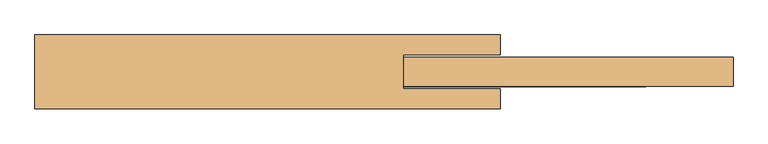
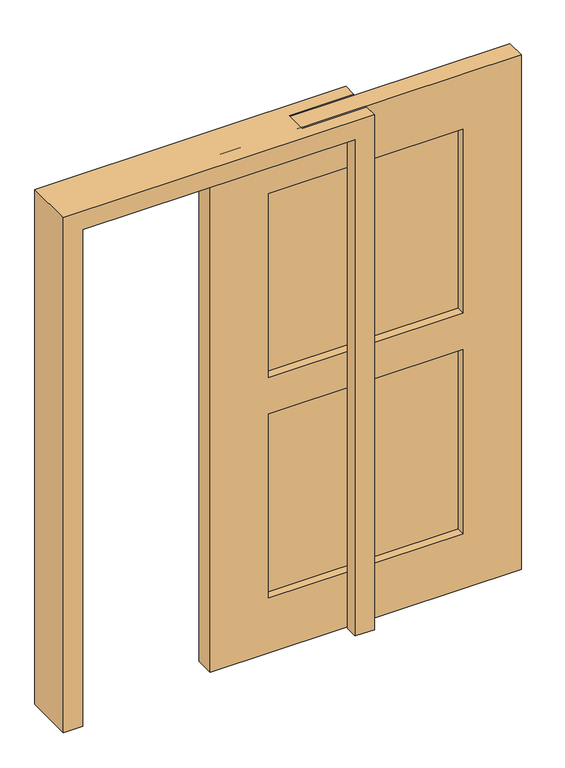
"""IFC4 building model written with IfcOpenShell, lengths in millimetres: door geometry."""

from ifc_helpers import new_model, si_unit, frame, origin, place, context, project, spatial, polyline, outline, extrude, faceted_brep, source, transform, mapped, element, save


def door_7173f663(model_context):
    return source(origin(), model_context, "Body", "SolidModel", [
        faceted_brep([(-533.4, 96.8375, 2057.4), (-533.4, 96.8375, 0.0), (-609.6, 96.8375, 0.0), (-609.6, 96.8375, 2133.6), (609.6, 96.8375, 2133.6), (609.6, 96.8375, 0.0), (533.4, 96.8375, 0.0), (533.4, 96.8375, 2057.4), (-533.4, -96.8375, 2057.4), (-533.4, -96.8375, 0.0), (-609.6, -96.8375, 0.0), (-609.6, -96.8375, 2133.6), (609.6, 44.45, 2133.6), (609.6, 44.45, 0.0), (609.6, -96.8375, 2133.6), (609.6, -96.8375, 0.0), (609.6, -44.45, 0.0), (609.6, -44.45, 2133.6), (533.4, 44.45, 0.0), (533.4, -96.8375, 0.0), (533.4, -44.45, 0.0), (533.4, 44.45, 2057.4), (533.4, -96.8375, 2057.4), (533.4, -44.45, 2057.4), (355.6, 44.45, 2133.6), (355.6, 44.45, 2057.4), (355.6, -44.45, 2057.4), (355.6, -44.45, 2133.6)], [[[0, 1, 2, 3, 4, 5, 6, 7]], [[1, 0, 8, 9]], [[2, 1, 9, 10]], [[3, 2, 10, 11]], [[5, 4, 12, 13]], [[14, 15, 16, 17]], [[6, 5, 13, 18]], [[15, 19, 20, 16]], [[7, 6, 18, 21]], [[19, 22, 23, 20]], [[8, 22, 19, 15, 14, 11, 10, 9]], [[24, 25, 21, 18, 13, 12]], [[26, 27, 17, 16, 20, 23]], [[4, 3, 11, 14, 17, 27, 24, 12]], [[0, 7, 21, 25, 26, 23, 22, 8]], [[25, 24, 27, 26]]]),
        extrude(outline(polyline([(990.6, -5.2498621), (228.6, -5.2498621), (228.6, 5.2498621), (990.6, 5.2498621), (990.6, -5.2498621)])), frame((0.0, 0.0, 1143.0), z_axis=(0.0, 0.0, 1.0), x_axis=(1.0, 0.0, 0.0)), (0.0, 0.0, 1.0), 762.0),
        extrude(outline(polyline([(990.6, -5.2498621), (228.6, -5.2498621), (228.6, 5.2498621), (990.6, 5.2498621), (990.6, -5.2498621)])), frame((0.0, 0.0, 228.6), z_axis=(0.0, 0.0, 1.0), x_axis=(1.0, 0.0, 0.0)), (0.0, 0.0, 1.0), 762.0),
        extrude(outline(polyline([(0.0, 1219.1773827), (2133.6, 1219.1773827), (2133.6, 0.0), (0.0, 0.0), (0.0, 1219.1773827)]), holes=[polyline([(228.6, 228.6), (990.6, 228.6), (990.6, 990.6), (228.6, 990.6), (228.6, 228.6)]), polyline([(1905.0, 228.6), (1905.0, 990.6), (1143.0, 990.6), (1143.0, 228.6), (1905.0, 228.6)])]), frame((0.0, -38.1, 0.0), z_axis=(0.0, 1.0, 0.0), x_axis=(0.0, 0.0, 1.0)), (0.0, 0.0, 1.0), 76.2),
    ])


if __name__ == "__main__":
    model = new_model("IFC4")
    model_context = context("Model", 3, world=origin())
    ifc_project = project(units=[si_unit("LENGTHUNIT", "METRE", prefix="MILLI")], contexts=[model_context])
    site = spatial("IfcSite", under=ifc_project)
    building = spatial("IfcBuilding", under=site)
    placement = place(None, origin())
    door_shape = door_7173f663(model_context)
    element("IfcDoor", 1, at=placement, inside=building, context=model_context, shape_type="MappedRepresentation", body=[
        mapped(door_shape, transform((0.0, 0.0, 0.0), x_axis=(1.0, 0.0, 0.0), y_axis=(0.0, 1.0, 0.0), z_axis=(0.0, 0.0, 1.0))),
    ])
    save(model, "model.ifc")
